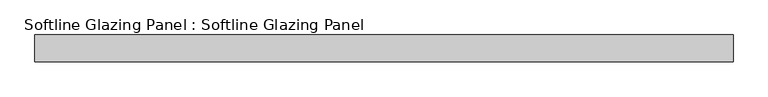
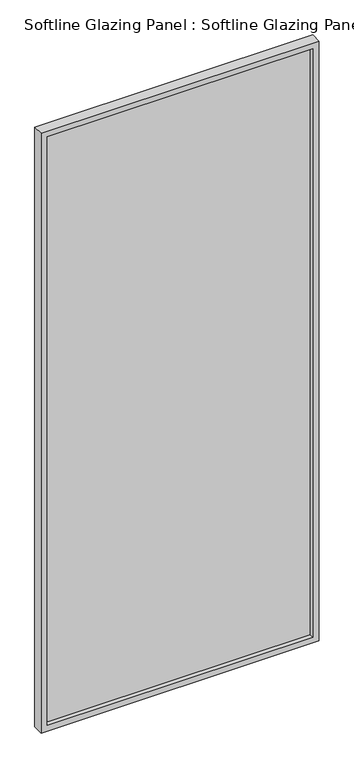
"""IFC4 building model written with IfcOpenShell, lengths in millimetres: plate geometry, Softline Glazing Panel : Softline Glazing Panel."""

from ifc_helpers import new_model, si_unit, frame, origin, place, context, project, spatial, polyline, outline, extrude, faceted_brep, source, transform, mapped, element, save


def softline_glazing_panel_softline_glazing_panel_c17eb1bc(model_context):
    return source(origin(), model_context, "Body", "SolidModel", [
        extrude(outline(polyline([(570.0, 4.0), (570.0, -4.0), (-570.0, -4.0), (-570.0, 4.0), (570.0, 4.0)])), frame((0.0, 0.0, 16.0), z_axis=(0.0, 0.0, 1.0), x_axis=(1.0, 0.0, 0.0)), (0.0, 0.0, 1.0), 2640.0),
        faceted_brep([(560.0, 4.0, 26.0), (560.0, 22.5, 26.0), (-560.0, 22.5, 26.0), (-560.0, 4.0, 26.0), (570.0, -4.0, 16.0), (570.0, 4.0, 16.0), (-570.0, 4.0, 16.0), (-570.0, -4.0, 16.0), (560.0, -22.5, 26.0), (560.0, -4.0, 26.0), (-560.0, -4.0, 26.0), (-560.0, -22.5, 26.0), (586.0, 22.5, 0.0), (586.0, -22.5, 0.0), (-586.0, -22.5, 0.0), (-586.0, 22.5, 0.0), (-560.0, 22.5, 2646.0), (-560.0, 4.0, 2646.0), (-570.0, 4.0, 2656.0), (-570.0, -4.0, 2656.0), (-560.0, -4.0, 2646.0), (-560.0, -22.5, 2646.0), (-586.0, -22.5, 2672.0), (-586.0, 22.5, 2672.0), (560.0, 22.5, 2646.0), (560.0, 4.0, 2646.0), (570.0, 4.0, 2656.0), (570.0, -4.0, 2656.0), (560.0, -4.0, 2646.0), (560.0, -22.5, 2646.0), (586.0, -22.5, 2672.0), (586.0, 22.5, 2672.0)], [[[0, 1, 2, 3]], [[4, 5, 6, 7]], [[8, 9, 10, 11]], [[12, 13, 14, 15]], [[3, 2, 16, 17]], [[7, 6, 18, 19]], [[11, 10, 20, 21]], [[15, 14, 22, 23]], [[17, 16, 24, 25]], [[19, 18, 26, 27]], [[21, 20, 28, 29]], [[23, 22, 30, 31]], [[15, 23, 31, 12], [1, 24, 16, 2]], [[25, 24, 1, 0]], [[5, 26, 18, 6], [3, 17, 25, 0]], [[27, 26, 5, 4]], [[7, 19, 27, 4], [9, 28, 20, 10]], [[29, 28, 9, 8]], [[13, 30, 22, 14], [11, 21, 29, 8]], [[31, 30, 13, 12]]]),
    ])


if __name__ == "__main__":
    model = new_model("IFC4")
    model_context = context("Model", 3, world=origin())
    ifc_project = project(units=[si_unit("LENGTHUNIT", "METRE", prefix="MILLI")], contexts=[model_context])
    site = spatial("IfcSite", under=ifc_project)
    building = spatial("IfcBuilding", under=site)
    placement = place(None, origin())
    softline_glazing_panel_softline_glazing_panel_shape = softline_glazing_panel_softline_glazing_panel_c17eb1bc(model_context)
    element("IfcPlate", 1, ObjectType="Softline Glazing Panel : Softline Glazing Panel", at=placement, inside=building, context=model_context, shape_type="MappedRepresentation", body=[
        mapped(softline_glazing_panel_softline_glazing_panel_shape, transform((0.0, 0.0, 0.0), x_axis=(1.0, 0.0, 0.0), y_axis=(0.0, 1.0, 0.0), z_axis=(0.0, 0.0, 1.0))),
    ])
    save(model, "model.ifc")
